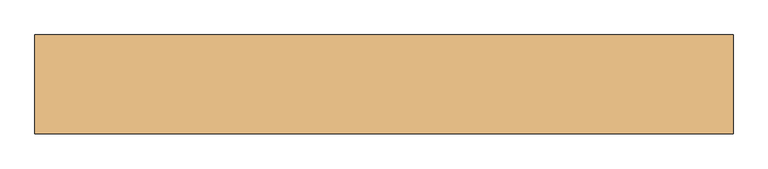
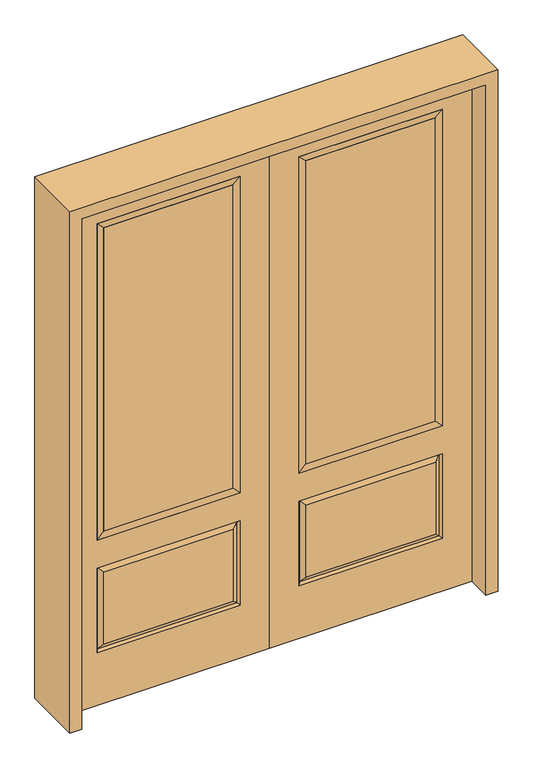
"""IFC4 building model written with IfcOpenShell, lengths in millimetres: door geometry."""

from ifc_helpers import new_model, si_unit, frame, origin, place, context, project, spatial, polyline, outline, extrude, faceted_brep, source, transform, mapped, element, save


def door_5f1908fc(model_context):
    return source(origin(), model_context, "Body", "SolidModel", [
        faceted_brep([(643.7661499, -12.7912373, 216.6588501), (626.26875, -22.225, 234.15625), (135.73125, -22.225, 234.15625), (118.2338501, -12.7912373, 216.6588501), (111.125, -22.225, 209.55), (650.875, -22.225, 209.55), (650.875, -22.225, 546.1), (643.7661499, -12.7912373, 538.9911499), (0.0, -22.225, 2032.0), (0.0, -22.225, 0.0), (762.0, -22.225, 0.0), (762.0, -22.225, 2032.0), (111.125, -22.225, 546.1), (111.125, -22.225, 1917.7), (650.875, -22.225, 1917.7), (650.875, -22.225, 657.098), (111.125, -22.225, 657.098), (626.26875, -22.225, 521.49375), (135.73125, -22.225, 521.49375), (118.2338501, -12.7912373, 538.9911499), (762.0, 22.225, 0.0), (762.0, 22.225, 2032.0), (0.0, 22.225, 0.0), (0.0, 22.225, 2032.0), (111.125, 22.225, 657.098), (111.125, 22.225, 1917.7), (650.875, 22.225, 657.098), (650.875, 22.225, 1917.7), (135.73125, 22.225, 234.15625), (135.73125, 22.225, 521.49375), (626.26875, 22.225, 521.49375), (626.26875, 22.225, 234.15625), (650.875, 22.225, 209.55), (650.875, 22.225, 546.1), (111.125, 22.225, 546.1), (111.125, 22.225, 209.55), (118.2338501, 12.7912373, 216.6588501), (643.7661499, 12.7912373, 216.6588501), (118.2338501, 12.7912373, 538.9911499), (643.7661499, 12.7912373, 538.9911499)], [[[0, 1, 2, 3]], [[3, 4, 5, 0]], [[5, 6, 7, 0]], [[8, 9, 10, 11], [4, 12, 6, 5], [13, 14, 15, 16]], [[1, 17, 18, 2]], [[3, 19, 12, 4]], [[2, 18, 19, 3]], [[0, 7, 17, 1]], [[6, 12, 19, 7]], [[7, 19, 18, 17]], [[10, 20, 21, 11]], [[9, 22, 20, 10]], [[8, 23, 22, 9]], [[16, 24, 25, 13]], [[15, 26, 24, 16]], [[14, 27, 26, 15]], [[28, 29, 30, 31]], [[23, 21, 20, 22], [25, 24, 26, 27], [32, 33, 34, 35]], [[32, 35, 36, 37]], [[35, 34, 38, 36]], [[39, 38, 34, 33]], [[37, 39, 33, 32]], [[36, 28, 31, 37]], [[31, 30, 39, 37]], [[30, 29, 38, 39]], [[36, 38, 29, 28]], [[11, 21, 23, 8]], [[13, 25, 27, 14]]]),
        faceted_brep([(650.875, -22.225, 1917.7), (650.875, -22.225, 657.098), (650.875, 22.225, 657.098), (650.875, 22.225, 1917.7), (111.125, -22.225, 657.098), (111.125, 22.225, 657.098), (136.525, 5.08, 682.498), (625.475, 5.08, 682.498), (111.125, -22.225, 1917.7), (111.125, 22.225, 1917.7), (625.475, -20.32, 682.498), (136.525, -20.32, 682.498), (625.475, -20.32, 1892.3), (136.525, -20.32, 1892.3), (625.475, 5.08, 1892.3), (136.525, 5.08, 1892.3)], [[[0, 1, 2, 3]], [[1, 4, 5, 2]], [[2, 5, 6, 7]], [[4, 8, 9, 5]], [[10, 11, 4, 1]], [[12, 10, 1, 0]], [[11, 13, 8, 4]], [[7, 6, 11, 10]], [[14, 7, 10, 12]], [[6, 15, 13, 11]], [[3, 2, 7, 14]], [[5, 9, 15, 6]], [[8, 0, 3, 9]], [[13, 12, 0, 8]], [[15, 14, 12, 13]], [[9, 3, 14, 15]]]),
        extrude(outline(polyline([(136.525, -20.32), (136.525, 5.08), (625.475, 5.08), (625.475, -20.32), (136.525, -20.32)])), frame((0.0, 0.0, 682.498), z_axis=(0.0, 0.0, 1.0), x_axis=(1.0, 0.0, 0.0)), (0.0, 0.0, 1.0), 1209.802),
        faceted_brep([(-643.7661499, -12.7912373, 216.6588501), (-118.2338501, -12.7912373, 216.6588501), (-135.73125, -22.225, 234.15625), (-626.26875, -22.225, 234.15625), (-650.875, -22.225, 209.55), (-111.125, -22.225, 209.55), (-643.7661499, -12.7912373, 538.9911499), (-650.875, -22.225, 546.1), (-135.73125, -22.225, 521.49375), (-626.26875, -22.225, 521.49375), (0.0, -22.225, 2032.0), (-762.0, -22.225, 2032.0), (-762.0, -22.225, 0.0), (0.0, -22.225, 0.0), (-111.125, -22.225, 546.1), (-111.125, -22.225, 1917.7), (-111.125, -22.225, 657.098), (-650.875, -22.225, 657.098), (-650.875, -22.225, 1917.7), (-118.2338501, -12.7912373, 538.9911499), (-762.0, 22.225, 2032.0), (-762.0, 22.225, 0.0), (0.0, 22.225, 0.0), (0.0, 22.225, 2032.0), (-111.125, 22.225, 1917.7), (-111.125, 22.225, 657.098), (-650.875, 22.225, 657.098), (-650.875, 22.225, 1917.7), (-650.875, 22.225, 209.55), (-111.125, 22.225, 209.55), (-111.125, 22.225, 546.1), (-650.875, 22.225, 546.1), (-135.73125, 22.225, 234.15625), (-626.26875, 22.225, 234.15625), (-626.26875, 22.225, 521.49375), (-135.73125, 22.225, 521.49375), (-643.7661499, 12.7912373, 216.6588501), (-118.2338501, 12.7912373, 216.6588501), (-118.2338501, 12.7912373, 538.9911499), (-643.7661499, 12.7912373, 538.9911499)], [[[0, 1, 2, 3]], [[1, 0, 4, 5]], [[4, 0, 6, 7]], [[3, 2, 8, 9]], [[10, 11, 12, 13], [5, 4, 7, 14], [15, 16, 17, 18]], [[1, 5, 14, 19]], [[2, 1, 19, 8]], [[0, 3, 9, 6]], [[7, 6, 19, 14]], [[6, 9, 8, 19]], [[12, 11, 20, 21]], [[13, 12, 21, 22]], [[10, 13, 22, 23]], [[16, 15, 24, 25]], [[17, 16, 25, 26]], [[18, 17, 26, 27]], [[23, 22, 21, 20], [28, 29, 30, 31], [24, 27, 26, 25]], [[32, 33, 34, 35]], [[28, 36, 37, 29]], [[29, 37, 38, 30]], [[39, 31, 30, 38]], [[36, 28, 31, 39]], [[37, 36, 33, 32]], [[33, 36, 39, 34]], [[34, 39, 38, 35]], [[37, 32, 35, 38]], [[11, 10, 23, 20]], [[15, 18, 27, 24]]]),
        faceted_brep([(-650.875, -22.225, 1917.7), (-650.875, 22.225, 1917.7), (-650.875, 22.225, 657.098), (-650.875, -22.225, 657.098), (-111.125, 22.225, 657.098), (-111.125, -22.225, 657.098), (-625.475, 5.08, 682.498), (-136.525, 5.08, 682.498), (-111.125, 22.225, 1917.7), (-111.125, -22.225, 1917.7), (-625.475, -20.32, 682.498), (-136.525, -20.32, 682.498), (-625.475, -20.32, 1892.3), (-136.525, -20.32, 1892.3), (-625.475, 5.08, 1892.3), (-136.525, 5.08, 1892.3)], [[[0, 1, 2, 3]], [[3, 2, 4, 5]], [[2, 6, 7, 4]], [[5, 4, 8, 9]], [[10, 3, 5, 11]], [[12, 0, 3, 10]], [[11, 5, 9, 13]], [[6, 10, 11, 7]], [[14, 12, 10, 6]], [[7, 11, 13, 15]], [[1, 14, 6, 2]], [[4, 7, 15, 8]], [[9, 8, 1, 0]], [[13, 9, 0, 12]], [[15, 13, 12, 14]], [[8, 15, 14, 1]]]),
        extrude(outline(polyline([(-136.525, -20.32), (-625.475, -20.32), (-625.475, 5.08), (-136.525, 5.08), (-136.525, -20.32)])), frame((0.0, 0.0, 682.498), z_axis=(0.0, 0.0, 1.0), x_axis=(1.0, 0.0, 0.0)), (0.0, 0.0, 1.0), 1209.802),
        extrude(outline(polyline([(2076.45, -806.45), (0.0, -806.45), (0.0, -762.0), (2032.0, -762.0), (2032.0, 762.0), (0.0, 762.0), (0.0, 806.45), (2076.45, 806.45), (2076.45, -806.45)])), frame((0.0, -114.3, 0.0), z_axis=(0.0, 1.0, 0.0), x_axis=(0.0, 0.0, 1.0)), (0.0, 0.0, 1.0), 228.6),
    ])


if __name__ == "__main__":
    model = new_model("IFC4")
    model_context = context("Model", 3, world=origin())
    ifc_project = project(units=[si_unit("LENGTHUNIT", "METRE", prefix="MILLI")], contexts=[model_context])
    site = spatial("IfcSite", under=ifc_project)
    building = spatial("IfcBuilding", under=site)
    placement = place(None, origin())
    door_shape = door_5f1908fc(model_context)
    element("IfcDoor", 1, at=placement, inside=building, context=model_context, shape_type="MappedRepresentation", body=[
        mapped(door_shape, transform((0.0, 0.0, 0.0), x_axis=(1.0, 0.0, 0.0), y_axis=(0.0, 1.0, 0.0), z_axis=(0.0, 0.0, 1.0))),
    ])
    save(model, "model.ifc")
